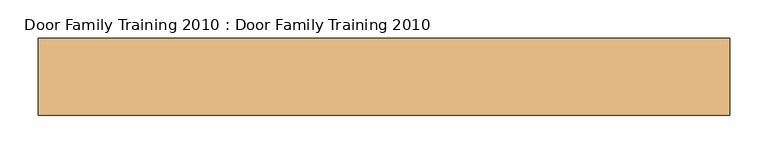
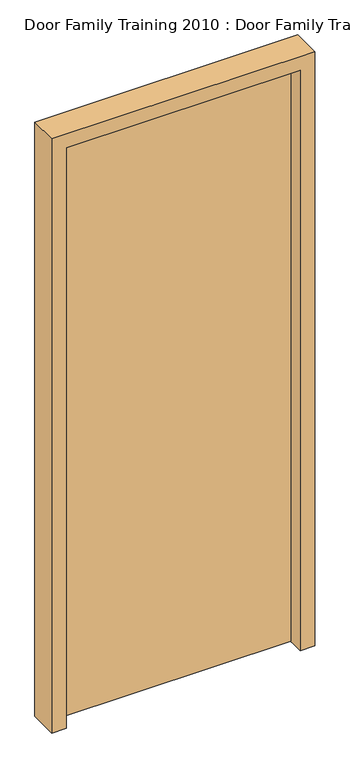
"""IFC4 building model written with IfcOpenShell, lengths in millimetres: door geometry, Door Family Training 2010 : Door Family Training 2010."""

from ifc_helpers import new_model, si_unit, frame, origin, origin_with_axes, place, context, project, spatial, polyline, outline, extrude, source, transform, mapped, element, save


def door_family_training_2010_door_family_training_2010_a159e04b(model_context):
    return source(origin(), model_context, "Body", "SweptSolid", [
        extrude(outline(polyline([(499.2875385, 30.75), (-300.7124615, 30.75), (-300.7124615, 74.75), (499.2875385, 74.75), (499.2875385, 30.75)])), origin_with_axes(), (0.0, 0.0, 1.0), 2100.0),
        extrude(outline(polyline([(-300.0, 74.75), (500.0, 74.75), (500.0, 53.0), (-300.0, 53.0), (-300.0, 74.75)])), origin_with_axes(), (0.0, 0.0, 1.0), 400.0),
        extrude(outline(polyline([(0.0, 549.2875385), (2150.0, 549.2875385), (2150.0, -350.7124615), (0.0, -350.7124615), (0.0, -300.7124615), (2100.0, -300.7124615), (2100.0, 499.2875385), (0.0, 499.2875385), (0.0, 549.2875385)])), frame((0.0, -25.25, 0.0), z_axis=(0.0, 1.0, 0.0), x_axis=(0.0, 0.0, 1.0)), (0.0, 0.0, 1.0), 100.0),
    ])


if __name__ == "__main__":
    model = new_model("IFC4")
    model_context = context("Model", 3, world=origin())
    ifc_project = project(units=[si_unit("LENGTHUNIT", "METRE", prefix="MILLI")], contexts=[model_context])
    site = spatial("IfcSite", under=ifc_project)
    building = spatial("IfcBuilding", under=site)
    placement = place(None, origin())
    door_family_training_2010_door_family_training_2010_shape = door_family_training_2010_door_family_training_2010_a159e04b(model_context)
    element("IfcDoor", 1, ObjectType="Door Family Training 2010 : Door Family Training 2010", at=placement, inside=building, context=model_context, shape_type="MappedRepresentation", body=[
        mapped(door_family_training_2010_door_family_training_2010_shape, transform((0.0, 0.0, 0.0), x_axis=(1.0, 0.0, 0.0), y_axis=(0.0, 1.0, 0.0), z_axis=(0.0, 0.0, 1.0))),
    ])
    save(model, "model.ifc")
